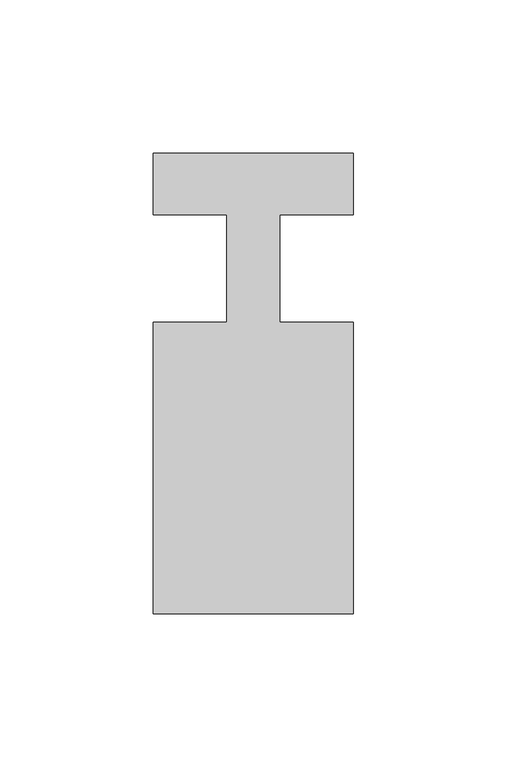
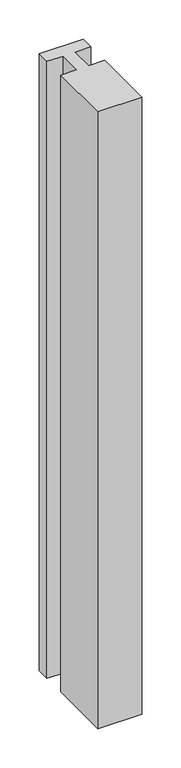
"""IFC4 building model written with IfcOpenShell, lengths in millimetres: member geometry."""

from ifc_helpers import new_model, si_unit, frame, origin, place, context, project, spatial, polyline, outline, extrude, source, transform, mapped, element, save


def member_b569b52a(model_context):
    return source(origin(), model_context, "Body", "SweptSolid", [
        extrude(outline(polyline([(-65.0, 37.0), (0.0, 37.0), (0.0, 17.0), (-23.8125, 17.0), (-23.8125, -18.0), (0.0, -18.0), (0.0, -113.0), (-65.0, -113.0), (-65.0, -18.0), (-41.1875, -18.0), (-41.1875, 17.0), (-65.0, 17.0), (-65.0, 37.0)])), frame((0.0, 0.0, -962.9107143), z_axis=(0.0, 0.0, 1.0), x_axis=(1.0, 0.0, 0.0)), (0.0, 0.0, 1.0), 962.9107143),
    ])


if __name__ == "__main__":
    model = new_model("IFC4")
    model_context = context("Model", 3, world=origin())
    ifc_project = project(units=[si_unit("LENGTHUNIT", "METRE", prefix="MILLI")], contexts=[model_context])
    site = spatial("IfcSite", under=ifc_project)
    building = spatial("IfcBuilding", under=site)
    placement = place(None, origin())
    member_shape = member_b569b52a(model_context)
    element("IfcMember", 1, at=placement, inside=building, context=model_context, shape_type="MappedRepresentation", body=[
        mapped(member_shape, transform((0.0, 0.0, 0.0), x_axis=(1.0, 0.0, 0.0), y_axis=(0.0, 1.0, 0.0), z_axis=(0.0, 0.0, 1.0))),
    ])
    save(model, "model.ifc")
